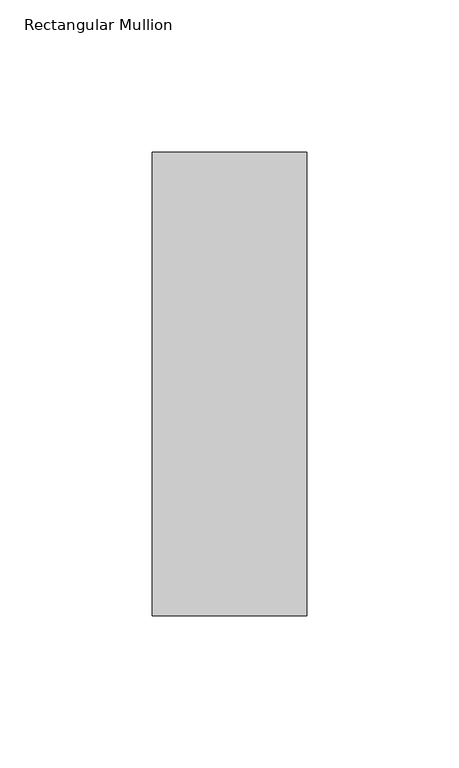
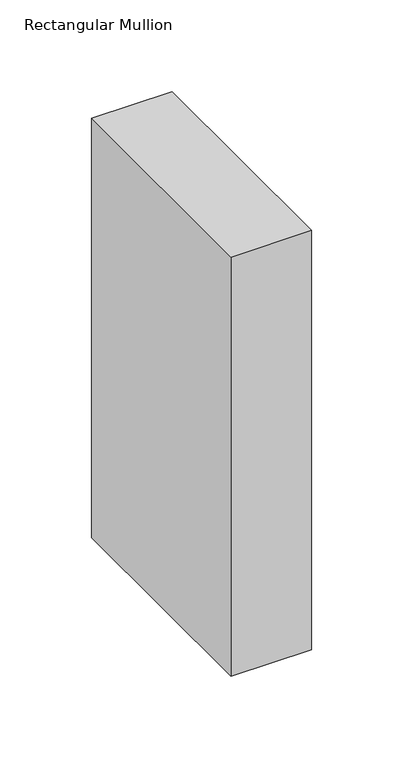
"""IFC4 building model written with IfcOpenShell, lengths in millimetres: member geometry, Rectangular Mullion."""

from ifc_helpers import new_model, si_unit, frame, origin, place, context, project, spatial, polyline, outline, extrude, source, transform, mapped, element, save


def rectangular_mullion_622b82e5(model_context):
    return source(origin(), model_context, "Body", "SweptSolid", [
        extrude(outline(polyline([(0.0, 26.19375), (0.0, -126.20625), (-50.8, -126.20625), (-50.8, 26.19375), (0.0, 26.19375)])), frame((0.0, 0.0, -279.4), z_axis=(0.0, 0.0, 1.0), x_axis=(1.0, 0.0, 0.0)), (0.0, 0.0, 1.0), 279.4),
    ])


if __name__ == "__main__":
    model = new_model("IFC4")
    model_context = context("Model", 3, world=origin())
    ifc_project = project(units=[si_unit("LENGTHUNIT", "METRE", prefix="MILLI")], contexts=[model_context])
    site = spatial("IfcSite", under=ifc_project)
    building = spatial("IfcBuilding", under=site)
    placement = place(None, origin())
    rectangular_mullion_shape = rectangular_mullion_622b82e5(model_context)
    element("IfcMember", 1, ObjectType="Rectangular Mullion", at=placement, inside=building, context=model_context, shape_type="MappedRepresentation", body=[
        mapped(rectangular_mullion_shape, transform((0.0, 0.0, 0.0), x_axis=(1.0, 0.0, 0.0), y_axis=(0.0, 1.0, 0.0), z_axis=(0.0, 0.0, 1.0))),
    ])
    save(model, "model.ifc")
